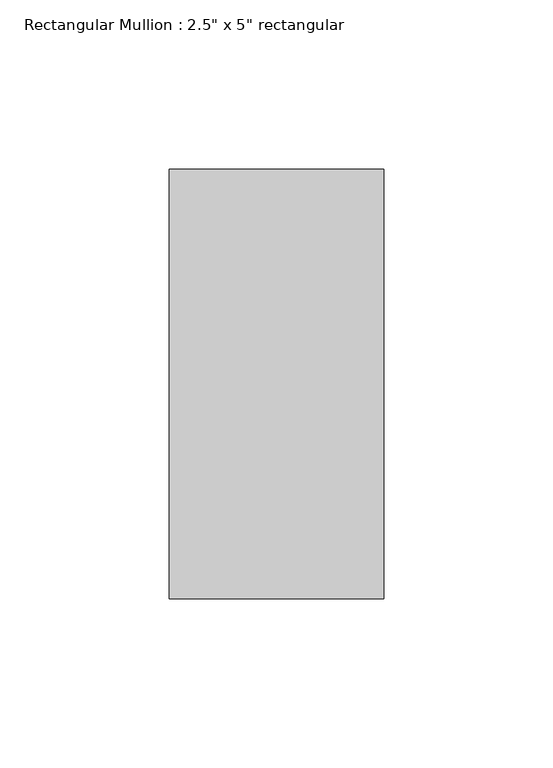
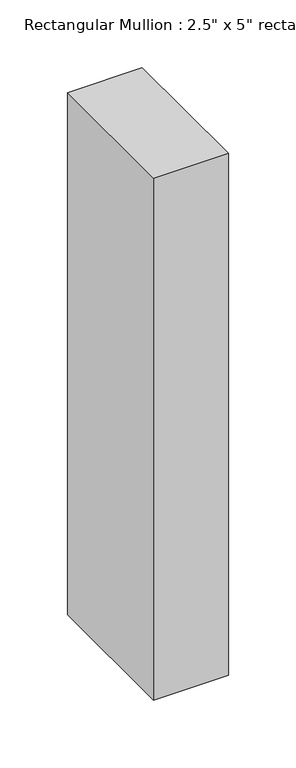
"""IFC4 building model written with IfcOpenShell, lengths in millimetres: member geometry."""

from ifc_helpers import new_model, si_unit, frame, origin, place, context, project, spatial, polyline, outline, extrude, source, transform, mapped, element, save


def member_2b79973d(model_context):
    return source(origin(), model_context, "Body", "SweptSolid", [
        extrude(outline(polyline([(0.0, 63.5), (0.0, -63.5), (-63.5, -63.5), (-63.5, 63.5), (0.0, 63.5)])), frame((0.0, 0.0, -469.9), z_axis=(0.0, 0.0, 1.0), x_axis=(1.0, 0.0, 0.0)), (0.0, 0.0, 1.0), 469.9),
    ])


if __name__ == "__main__":
    model = new_model("IFC4")
    model_context = context("Model", 3, world=origin())
    ifc_project = project(units=[si_unit("LENGTHUNIT", "METRE", prefix="MILLI")], contexts=[model_context])
    site = spatial("IfcSite", under=ifc_project)
    building = spatial("IfcBuilding", under=site)
    placement = place(None, origin())
    member_shape = member_2b79973d(model_context)
    element("IfcMember", 1, ObjectType="Rectangular Mullion : 2.5\" x 5\" rectangular", at=placement, inside=building, context=model_context, shape_type="MappedRepresentation", body=[
        mapped(member_shape, transform((0.0, 0.0, 0.0), x_axis=(1.0, 0.0, 0.0), y_axis=(0.0, 1.0, 0.0), z_axis=(0.0, 0.0, 1.0))),
    ])
    save(model, "model.ifc")
